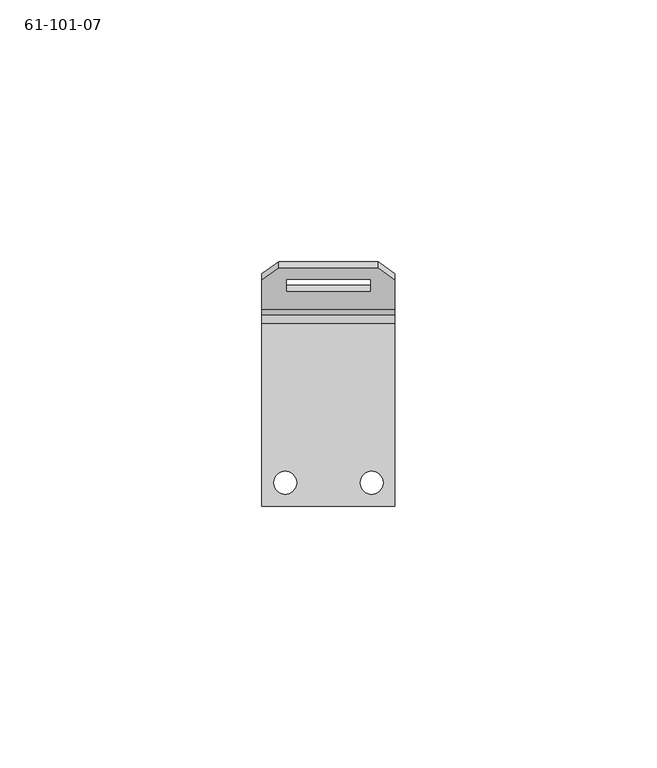
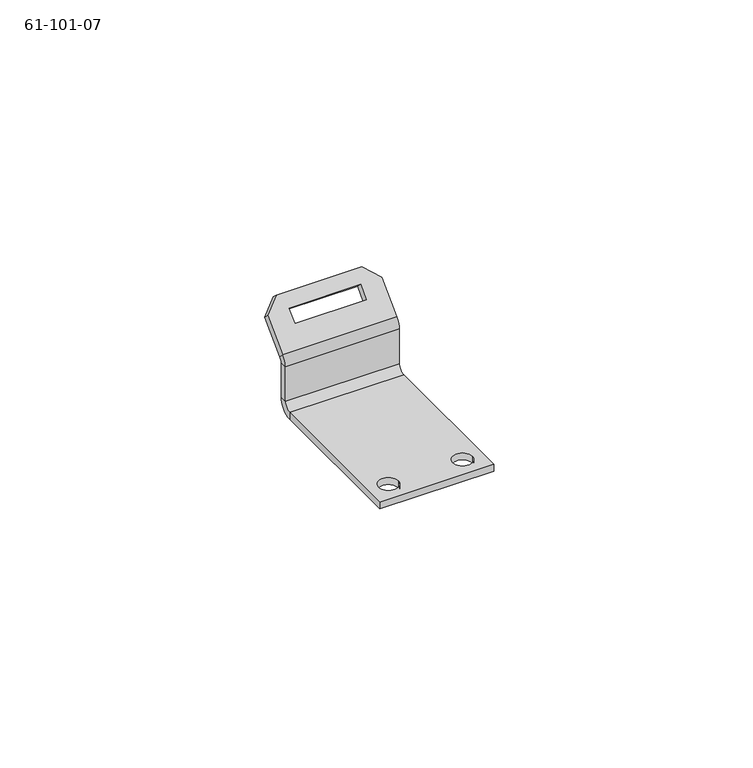
"""IFC4 building model written with IfcOpenShell, lengths in millimetres: proxy geometry, 61-101-07."""

import ifcopenshell
import ifcopenshell.guid

model = None  # the IFC model being written
_history = None  # IfcOwnerHistory: only IFC2X3 demands one
_inside = {}  # id of a spatial element -> (the spatial element, [elements in it])
_under = {}  # id of a project, library or spatial element -> (it, [spatial elements below it])
_declared = {}  # id of a project -> (the project, [libraries it declares])
_typed = {}  # id of a type object -> (the type object, [elements of that type])
_made_of = {}  # id of a material, layer set ... -> (it, [elements and type objects made of it])


def new_model(schema):
    """Start an empty IFC model of exactly this schema.

    Asked for "IFC4X3", IfcOpenShell would pick the latest addendum, in which some entities
    have other attributes; the version numbers below select the first issue.
    IFC2X3 requires an IfcOwnerHistory on every rooted entity: one is made here for all.
    """
    global model, _history
    if schema == "IFC4X3":
        model = ifcopenshell.file(schema_version=(4, 3, 0, 0))
    else:
        model = ifcopenshell.file(schema=schema)
    _inside.clear()
    _under.clear()
    _declared.clear()
    _typed.clear()
    _made_of.clear()
    _history = None
    if model.schema == "IFC2X3":
        org = make("IfcOrganization", Name="unknown")
        user = make(
            "IfcPersonAndOrganization",
            ThePerson=make("IfcPerson", FamilyName="unknown"),
            TheOrganization=org,
        )
        app = make(
            "IfcApplication",
            ApplicationDeveloper=org,
            Version="unknown",
            ApplicationFullName="unknown",
            ApplicationIdentifier="unknown",
        )
        _history = make(
            "IfcOwnerHistory",
            OwningUser=user,
            OwningApplication=app,
            ChangeAction="ADDED",
            CreationDate=0,
        )
    return model


def make(cls, **values):
    """One entity of the class cls with the attributes given. An attribute that is None is left unset."""
    return model.create_entity(
        cls, **{name: value for name, value in values.items() if value is not None}
    )


def rooted(cls, **values):
    """An entity with a GlobalId (a new one), such as an element, a storey or a relation."""
    return make(cls, GlobalId=ifcopenshell.guid.new(), OwnerHistory=_history, **values)


def si_unit(unit_type, name, prefix=None):
    """IfcSIUnit, for example si_unit("LENGTHUNIT", "METRE", prefix="MILLI")."""
    return make("IfcSIUnit", UnitType=unit_type, Prefix=prefix, Name=name)


def assignment(units):
    """IfcUnitAssignment: the units of a project."""
    return None if units is None else make("IfcUnitAssignment", Units=units)


def point(xyz):
    """IfcCartesianPoint."""
    return None if xyz is None else make("IfcCartesianPoint", Coordinates=xyz)


def direction(xyz):
    """IfcDirection."""
    return None if xyz is None else make("IfcDirection", DirectionRatios=xyz)


def frame(location, z_axis=None, x_axis=None):
    """IfcAxis2Placement3D, a coordinate frame: its origin and axes. An axis left out is left unset."""
    return make(
        "IfcAxis2Placement3D",
        Location=point(location),
        Axis=direction(z_axis),
        RefDirection=direction(x_axis),
    )


def origin():
    """The frame at (0, 0, 0) with its axes left unset."""
    return frame((0.0, 0.0, 0.0))


def place(relative_to, where):
    """IfcLocalPlacement: puts the frame where relative to a parent placement (None: the world)."""
    return make(
        "IfcLocalPlacement", PlacementRelTo=relative_to, RelativePlacement=where
    )


def context(
    kind, dimensions, precision=None, world=None, true_north=None, identifier=None
):
    """IfcGeometricRepresentationContext, for example the 3D "Model" context."""
    return make(
        "IfcGeometricRepresentationContext",
        ContextIdentifier=identifier,
        ContextType=kind,
        CoordinateSpaceDimension=dimensions,
        Precision=precision,
        WorldCoordinateSystem=world,
        TrueNorth=true_north,
    )


def project(units=None, contexts=None):
    """IfcProject with its units and contexts."""
    return rooted(
        "IfcProject",
        Name="project",
        RepresentationContexts=contexts,
        UnitsInContext=assignment(units),
    )


def spatial(cls, under=None, at=None, **own):
    """A site, building, storey or space (cls), placed at a placement, below another one or the project."""
    s = rooted(cls, ObjectPlacement=at, **own)
    if under is not None:
        _under.setdefault(under.id(), (under, []))[1].append(s)
    return s


def polyline(points):
    """IfcPolyline through the points."""
    return make("IfcPolyline", Points=[point(p) for p in points])


def circle_curve(where, radius):
    """IfcCircle in the frame where."""
    return make("IfcCircle", Position=where, Radius=radius)


def shape(context_of_items, identifier, shape_type, items):
    """IfcShapeRepresentation: the items that make up one representation, for example the "Body"."""
    return make(
        "IfcShapeRepresentation",
        ContextOfItems=context_of_items,
        RepresentationIdentifier=identifier,
        RepresentationType=shape_type,
        Items=items,
    )


def source(mapping_origin, context_of_items, identifier, shape_type, items):
    """IfcRepresentationMap: a shape defined once, which mapped items show again and again."""
    return make(
        "IfcRepresentationMap",
        MappingOrigin=mapping_origin,
        MappedRepresentation=shape(context_of_items, identifier, shape_type, items),
    )


def transform(
    local_origin,
    x_axis=None,
    y_axis=None,
    z_axis=None,
    scale=None,
    scale2=None,
    scale3=None,
    uniform=True,
):
    """IfcCartesianTransformationOperator3D, or its non-uniform kind. x_axis, y_axis, z_axis: its Axis1, 2, 3."""
    if uniform:
        return make(
            "IfcCartesianTransformationOperator3D",
            Axis1=direction(x_axis),
            Axis2=direction(y_axis),
            LocalOrigin=point(local_origin),
            Scale=scale,
            Axis3=direction(z_axis),
        )
    return make(
        "IfcCartesianTransformationOperator3DnonUniform",
        Axis1=direction(x_axis),
        Axis2=direction(y_axis),
        LocalOrigin=point(local_origin),
        Scale=scale,
        Axis3=direction(z_axis),
        Scale2=scale2,
        Scale3=scale3,
    )


def mapped(mapping_source, mapping_target):
    """IfcMappedItem: shows the shape of a source again, moved by a transform."""
    return make(
        "IfcMappedItem", MappingSource=mapping_source, MappingTarget=mapping_target
    )


def made_of(thing, what):
    """Note that an element or type object is made of a material, layer set ...; save() writes the relation."""
    if what is not None:
        _made_of.setdefault(what.id(), (what, []))[1].append(thing)
    return thing


def element(
    cls,
    number,
    at=None,
    inside=None,
    cuts=None,
    type_object=None,
    material=None,
    context=None,
    identifier="Body",
    shape_type=None,
    held_by="IfcProductDefinitionShape",
    body=None,
    shapes=None,
    **own,
):
    """One element of the class cls, such as IfcWall. Its Tag is "e" and its number.

    at: its placement. inside: the storey or other place that contains it. cuts: it is an
    opening in that element (IfcRelVoidsElement). A single representation is given by context,
    identifier, shape_type and body (its items); several are given by shapes. held_by: the class
    of the entity that holds the representations. save() writes the other relations.
    """
    e = rooted(cls, Tag="e%d" % number, ObjectPlacement=at, **own)
    if body is not None:
        shapes = [shape(context, identifier, shape_type, body)]
    if shapes is not None:
        e.Representation = make(held_by, Representations=shapes)
    if inside is not None:
        _inside.setdefault(inside.id(), (inside, []))[1].append(e)
    if cuts is not None:
        rooted(
            "IfcRelVoidsElement", RelatingBuildingElement=cuts, RelatedOpeningElement=e
        )
    if type_object is not None:
        _typed.setdefault(type_object.id(), (type_object, []))[1].append(e)
    return made_of(e, material)


def aggregate(whole, parts):
    """IfcRelAggregates: a whole, such as a stair, and the parts it consists of."""
    return rooted("IfcRelAggregates", RelatingObject=whole, RelatedObjects=parts)


def save(model, path):
    """Write the relations noted so far, then the file.

    IfcRelAggregates (storeys below a building ...), IfcRelContainedInSpatialStructure (elements
    in a storey), IfcRelDefinesByType, IfcRelAssociatesMaterial and IfcRelDeclares: one each for
    every whole, place, type object, material and project.
    """
    for whole, parts in _under.values():
        aggregate(whole, parts)
    for where, things in _inside.values():
        rooted(
            "IfcRelContainedInSpatialStructure",
            RelatedElements=things,
            RelatingStructure=where,
        )
    for kind, things in _typed.values():
        rooted("IfcRelDefinesByType", RelatedObjects=things, RelatingType=kind)
    for what, things in _made_of.values():
        rooted("IfcRelAssociatesMaterial", RelatedObjects=things, RelatingMaterial=what)
    for by, libraries in _declared.values():
        rooted("IfcRelDeclares", RelatingContext=by, RelatedDefinitions=libraries)
    model.write(path)


def plane_surface(at):
    """IfcPlane: the flat surface through the origin of the frame at, square to its z axis."""
    return make("IfcPlane", Position=at)


def cylinder_surface(at, radius):
    """IfcCylindricalSurface: all points at the distance radius from the z axis of the frame at."""
    return make("IfcCylindricalSurface", Position=at, Radius=radius)


def revolved_surface(curve, axis_point, axis_direction):
    """IfcSurfaceOfRevolution: the curve turned about the line through axis_point along axis_direction."""
    return make(
        "IfcSurfaceOfRevolution",
        SweptCurve=make("IfcArbitraryOpenProfileDef", ProfileType="CURVE", Curve=curve),
        AxisPosition=make("IfcAxis1Placement", Location=point(axis_point), Axis=direction(axis_direction)),
    )


def advanced_brep(points, edges, surfaces, faces):
    """IfcAdvancedBrep: a solid bounded by faces that lie on surfaces and meet in shared edges.

    An edge is (start, end): straight between two places in points (the first is 0);
    or (start, end, curve); or (start, end, curve, False) where it runs against its curve.
    A face is (place in surfaces, loops), or (place, loops, False) where it looks against
    its surface's normal. A loop lists edges by number (the first is 1), with a minus sign
    where the edge is run from its end to its start. The first loop is the outer one.
    """
    corners = [point(p) for p in points]
    vertices = [make("IfcVertexPoint", VertexGeometry=c) for c in corners]
    made = []
    for start, end, *more in edges:
        made.append(
            make(
                "IfcEdgeCurve",
                EdgeStart=vertices[start],
                EdgeEnd=vertices[end],
                EdgeGeometry=more[0] if more else make("IfcPolyline", Points=[corners[start], corners[end]]),
                SameSense=more[1] if len(more) > 1 else True,
            )
        )
    hull = []
    for where, loops, *sense in faces:
        bounds = []
        for j, loop in enumerate(loops):
            ring = [make("IfcOrientedEdge", EdgeElement=made[abs(k) - 1], Orientation=k > 0) for k in loop]
            bounds.append(
                make(
                    "IfcFaceOuterBound" if j == 0 else "IfcFaceBound",
                    Bound=make("IfcEdgeLoop", EdgeList=ring),
                    Orientation=True,
                )
            )
        hull.append(make("IfcAdvancedFace", Bounds=bounds, FaceSurface=surfaces[where], SameSense=sense[0] if sense else True))
    return make("IfcAdvancedBrep", Outer=make("IfcClosedShell", CfsFaces=hull))


def proxy_61_101_07_457bc332(model_context):
    return source(origin(), model_context, "Body", "AdvancedBrep", [
        advanced_brep(
        [(-1.4669752, -32.0691234, 1.6129), (-1.4669752, -32.0691234, 0.0), (2.8764248, -32.0691234, 0.0), (2.8764248, -32.0691234, 1.6129), (15.0430248, -32.0691234, 1.6129), (15.0430248, -32.0691234, 0.0), (19.3864248, -32.0691234, 0.0), (19.3864248, -32.0691234, 1.6129), (18.4847248, 8.9532327, 21.6802561), (21.6597248, 6.7081687, 19.4351921), (21.6597248, 7.8486612, 18.2946996), (18.4847248, 10.0937253, 20.5397636), (-0.5652752, 10.0937253, 20.5397636), (-0.5652752, 8.9532327, 21.6802561), (21.6597248, 2.0582841, 12.5043224), (-3.7402752, 2.0582841, 12.5043224), (-3.7402752, 7.8486612, 18.2946996), (1.0222248, 7.8486612, 18.2946996), (1.0222248, 5.6035972, 16.0496355), (16.8972248, 5.6035972, 16.0496355), (16.8972248, 7.8486612, 18.2946996), (-3.7402752, 6.7081687, 19.4351921), (-3.7402752, 0.9177916, 13.6448149), (1.0222248, 6.7081687, 19.4351921), (1.0222248, 4.4631047, 17.1901281), (16.8972248, 4.4631047, 17.1901281), (16.8972248, 6.7081687, 19.4351921), (21.6597248, 0.9177916, 13.6448149), (-3.7402752, -0.0270234, 11.3638299), (21.6597248, -0.0270234, 11.3638299), (-3.7402752, 1.5858766, 11.3638299), (21.6597248, 1.5858766, 11.3638299), (21.6597248, -0.0270234, 3.2258), (21.6597248, 1.5858766, 3.2258), (-3.7402752, -0.0270234, 3.2258), (-3.7402752, 1.5858766, 3.2258), (21.6597248, -1.6399234, 0.0), (-3.7402752, -1.6399234, 0.0), (21.6597248, -1.6399234, 1.6129), (-3.7402752, -1.6399234, 1.6129), (-3.7402752, -36.5141234, 0.0), (-3.7402752, -36.5141234, 1.6129), (21.6597248, -36.5141234, 0.0), (21.6597248, -36.5141234, 1.6129)],
        [
            (0, 1),
            (1, 2, circle_curve(frame((0.7047248, -32.0691234, 0.0), z_axis=(0.0, 0.0, -1.0), x_axis=(-1.0, 0.0, 0.0)), 2.1717)),
            (2, 3),
            (3, 0, circle_curve(frame((0.7047248, -32.0691234, 1.6129), z_axis=(0.0, 0.0, 1.0), x_axis=(-1.0, 0.0, 0.0)), 2.1717)),
            (4, 5),
            (5, 6, circle_curve(frame((17.2147248, -32.0691234, 0.0), z_axis=(0.0, 0.0, -1.0), x_axis=(-1.0, 0.0, 0.0)), 2.1717)),
            (6, 7),
            (7, 4, circle_curve(frame((17.2147248, -32.0691234, 1.6129), z_axis=(0.0, 0.0, 1.0), x_axis=(-1.0, 0.0, 0.0)), 2.1717)),
            (8, 9),
            (9, 10),
            (10, 11),
            (11, 8),
            (11, 12),
            (12, 13),
            (13, 8),
            (10, 14),
            (14, 15),
            (15, 16),
            (16, 12),
            (17, 18),
            (18, 19),
            (19, 20),
            (20, 17),
            (21, 13),
            (16, 21),
            (15, 22),
            (22, 21),
            (4, 7, circle_curve(frame((17.2147248, -32.0691234, 1.6129), z_axis=(0.0, 0.0, 1.0), x_axis=(-1.0, 0.0, 0.0)), 2.1717)),
            (6, 5, circle_curve(frame((17.2147248, -32.0691234, 0.0), z_axis=(0.0, 0.0, -1.0), x_axis=(-1.0, 0.0, 0.0)), 2.1717)),
            (0, 3, circle_curve(frame((0.7047248, -32.0691234, 1.6129), z_axis=(0.0, 0.0, 1.0), x_axis=(-1.0, 0.0, 0.0)), 2.1717)),
            (2, 1, circle_curve(frame((0.7047248, -32.0691234, 0.0), z_axis=(0.0, 0.0, -1.0), x_axis=(-1.0, 0.0, 0.0)), 2.1717)),
            (23, 24),
            (24, 18),
            (17, 23),
            (24, 25),
            (25, 19),
            (25, 26),
            (26, 20),
            (26, 23),
            (27, 22),
            (22, 28, circle_curve(frame((-3.7402752, 3.1987766, 11.3638299), z_axis=(1.0, 0.0, 0.0), x_axis=(0.0, -1.0, 0.0)), 3.2258)),
            (28, 29),
            (29, 27, circle_curve(frame((21.6597248, 3.1987766, 11.3638299), z_axis=(-1.0, 0.0, 0.0), x_axis=(0.0, -1.0, 0.0)), 3.2258)),
            (9, 27),
            (27, 14),
            (15, 30, circle_curve(frame((-3.7402752, 3.1987766, 11.3638299), z_axis=(1.0, 0.0, 0.0), x_axis=(0.0, -1.0, 0.0)), 1.6129)),
            (30, 28),
            (29, 31),
            (31, 14, circle_curve(frame((21.6597248, 3.1987766, 11.3638299), z_axis=(-1.0, 0.0, 0.0), x_axis=(0.0, -1.0, 0.0)), 1.6129)),
            (31, 30),
            (29, 32),
            (32, 33),
            (33, 31),
            (28, 34),
            (34, 32),
            (35, 33),
            (33, 36, circle_curve(frame((21.6597248, -1.6399234, 3.2258), z_axis=(-1.0, 0.0, 0.0), x_axis=(0.0, 0.0, -1.0)), 3.2258)),
            (36, 37),
            (37, 35, circle_curve(frame((-3.7402752, -1.6399234, 3.2258), z_axis=(1.0, 0.0, 0.0), x_axis=(0.0, 0.0, -1.0)), 3.2258)),
            (30, 35),
            (35, 34),
            (32, 38, circle_curve(frame((21.6597248, -1.6399234, 3.2258), z_axis=(-1.0, 0.0, 0.0), x_axis=(0.0, 0.0, -1.0)), 1.6129)),
            (38, 36),
            (37, 39),
            (39, 34, circle_curve(frame((-3.7402752, -1.6399234, 3.2258), z_axis=(1.0, 0.0, 0.0), x_axis=(0.0, 0.0, -1.0)), 1.6129)),
            (39, 38),
            (37, 40),
            (40, 41),
            (41, 39),
            (36, 42),
            (42, 40),
            (38, 43),
            (43, 42),
            (43, 41),
        ],
        [
            revolved_surface(polyline([(-1.4669751999999998, -32.0691234, 0.0), (-1.4669751999999998, -32.0691234, 1.6129)]), (0.7047248, -32.0691234, 0.80645), (0.0, 0.0, -1.0)),
            revolved_surface(polyline([(15.0430248, -32.0691234, 0.0), (15.0430248, -32.0691234, 1.6129)]), (17.2147248, -32.0691234, 0.80645), (0.0, 0.0, -1.0)),
            plane_surface(frame((20.0722248, 8.9711933, 19.4172316), z_axis=(0.7071067811865476, 0.5, 0.5000000000000001), x_axis=(0.5773502691896258, 0.0, -0.816496580927726))),
            plane_surface(frame((-3.7402752, 10.0937253, 20.5397636), z_axis=(0.0, 0.7071067811865475, 0.7071067811865476), x_axis=(1.0, 0.0, 0.0))),
            plane_surface(frame((8.9597248, 5.4310714, 15.8771097), z_axis=(0.0, 0.7071067811865476, -0.7071067811865475), x_axis=(0.0, 0.7071067811865475, 0.7071067811865476))),
            plane_surface(frame((-2.1527752, 8.9711933, 19.4172316), z_axis=(-0.7071067811865474, 0.5000000000000001, 0.5000000000000001), x_axis=(0.577350269189626, 0.0, 0.8164965809277259))),
            plane_surface(frame((-3.7402752, 2.0582841, 12.5043224), z_axis=(-1.0, 0.0, 0.0), x_axis=(0.0, 0.7071067811865475, 0.7071067811865476))),
            plane_surface(frame((1.0222248, 4.4631047, 17.1901281), z_axis=(1.0, 0.0, 0.0), x_axis=(0.0, 0.7071067811865475, 0.7071067811865476))),
            plane_surface(frame((16.8972248, 4.4631047, 17.1901281), z_axis=(0.0, 0.7071067811865476, 0.7071067811865476), x_axis=(-1.0, 0.0, 0.0))),
            plane_surface(frame((16.8972248, 6.7081687, 19.4351921), z_axis=(-1.0, 0.0, 0.0), x_axis=(0.0, -0.7071067811865475, -0.7071067811865476))),
            plane_surface(frame((1.0222248, 6.7081687, 19.4351921), z_axis=(0.0, -0.7071067811865476, -0.7071067811865476), x_axis=(1.0, 0.0, 0.0))),
            cylinder_surface(frame((8.9597248, 3.1987766, 11.3638299), z_axis=(-1.0, 0.0, 0.0), x_axis=(0.0, -1.0, 0.0)), 3.2258),
            plane_surface(frame((21.6597248, 2.0582841, 12.5043224), z_axis=(1.0, 0.0, 0.0), x_axis=(0.0, -0.7071067811865475, -0.7071067811865476))),
            plane_surface(frame((-3.7402752, 2.0582841, 12.5043224), z_axis=(-1.0, 0.0, 0.0), x_axis=(0.0, 0.0, 1.0))),
            plane_surface(frame((21.6597248, 0.9177916, 13.6448149), z_axis=(1.0, 0.0, 0.0), x_axis=(0.0, 0.0, -1.0))),
            plane_surface(frame((8.9597248, 4.2905788, 17.0176022), z_axis=(0.0, -0.7071067811865476, 0.7071067811865475), x_axis=(0.0, 0.7071067811865475, 0.7071067811865476))),
            revolved_surface(polyline([(-3.7402751999999992, 1.5858766, 11.3638299), (21.6597248, 1.5858766, 11.3638299)]), (8.9597248, 3.1987766, 11.3638299), (-1.0, 0.0, 0.0)),
            plane_surface(frame((21.6597248, -0.0270234, 3.2258), z_axis=(1.0, 0.0, 0.0), x_axis=(0.0, 1.0, 0.0))),
            plane_surface(frame((8.9597248, -0.0270234, 6.1387531), z_axis=(0.0, -1.0, 0.0), x_axis=(1.0, 0.0, 0.0))),
            cylinder_surface(frame((8.9597248, -1.6399234, 3.2258), z_axis=(1.0, 0.0, 0.0), x_axis=(0.0, 0.0, -1.0)), 3.2258),
            plane_surface(frame((-3.7402752, -0.0270234, 3.2258), z_axis=(-1.0, 0.0, 0.0), x_axis=(0.0, -1.0, 0.0))),
            plane_surface(frame((21.6597248, -0.0270234, 3.2258), z_axis=(1.0, 0.0, 0.0), x_axis=(0.0, 0.0, -1.0))),
            plane_surface(frame((-3.7402752, 1.5858766, 3.2258), z_axis=(-1.0, 0.0, 0.0), x_axis=(0.0, 0.0, 1.0))),
            plane_surface(frame((8.9597248, 1.5858766, 6.1387531), z_axis=(0.0, 1.0, 0.0), x_axis=(1.0, 0.0, 0.0))),
            revolved_surface(polyline([(21.6597248, -1.6399234, 1.6129), (-3.7402751999999992, -1.6399234, 1.6129)]), (8.9597248, -1.6399234, 3.2258), (1.0, 0.0, 0.0)),
            plane_surface(frame((-3.7402752, -36.5141234, 0.0), z_axis=(-1.0, 0.0, 0.0), x_axis=(0.0, 0.0, 1.0))),
            plane_surface(frame((8.9597248, -17.4641234, 0.0), z_axis=(0.0, 0.0, -1.0), x_axis=(1.0, 0.0, 0.0))),
            plane_surface(frame((21.6597248, 1.5858766, 0.0), z_axis=(1.0, 0.0, 0.0), x_axis=(0.0, 0.0, -1.0))),
            plane_surface(frame((21.6597248, -36.5141234, 0.0), z_axis=(0.0, -1.0, 0.0), x_axis=(0.0, 0.0, -1.0))),
            plane_surface(frame((8.9597248, -17.4641234, 1.6129), z_axis=(0.0, 0.0, 1.0), x_axis=(1.0, 0.0, 0.0))),
        ],
        [
            (0, [[1, 2, 3, 4]]),
            (1, [[5, 6, 7, 8]]),
            (2, [[9, 10, 11, 12]]),
            (3, [[-12, 13, 14, 15]]),
            (4, [[-11, 16, 17, 18, 19, -13], [20, 21, 22, 23]]),
            (5, [[24, -14, -19, 25]]),
            (6, [[-25, -18, 26, 27]]),
            (1, [[-5, 28, -7, 29]]),
            (0, [[-1, 30, -3, 31]]),
            (7, [[32, 33, -20, 34]]),
            (8, [[35, 36, -21, -33]]),
            (9, [[37, 38, -22, -36]]),
            (10, [[39, -34, -23, -38]]),
            (11, [[40, 41, 42, 43]]),
            (12, [[-10, 44, 45, -16]]),
            (13, [[-26, 46, 47, -41]]),
            (14, [[-45, -43, 48, 49]]),
            (15, [[-9, -15, -24, -27, -40, -44], [-32, -39, -37, -35]]),
            (16, [[-17, -49, 50, -46]]),
            (17, [[-48, 51, 52, 53]]),
            (18, [[-42, 54, 55, -51]]),
            (19, [[56, 57, 58, 59]]),
            (20, [[-47, 60, 61, -54]]),
            (21, [[-52, 62, 63, -57]]),
            (22, [[-61, -59, 64, 65]]),
            (23, [[-50, -53, -56, -60]]),
            (24, [[-55, -65, 66, -62]]),
            (25, [[-64, 67, 68, 69]]),
            (26, [[-58, 70, 71, -67], [-29, -6], [-31, -2]]),
            (27, [[-63, 72, 73, -70]]),
            (28, [[74, -68, -71, -73]]),
            (29, [[-66, -69, -74, -72], [-4, -30], [-8, -28]]),
        ],
    ),
    ])


if __name__ == "__main__":
    model = new_model("IFC4")
    model_context = context("Model", 3, world=origin())
    ifc_project = project(units=[si_unit("LENGTHUNIT", "METRE", prefix="MILLI")], contexts=[model_context])
    site = spatial("IfcSite", under=ifc_project)
    building = spatial("IfcBuilding", under=site)
    placement = place(None, origin())
    proxy_61_101_07_shape = proxy_61_101_07_457bc332(model_context)
    element("IfcBuildingElementProxy", 1, Name="61-101-07", ObjectType="61-101-07", at=placement, inside=building, context=model_context, shape_type="MappedRepresentation", body=[
        mapped(proxy_61_101_07_shape, transform((0.0, 0.0, 0.0), x_axis=(1.0, 0.0, 0.0), y_axis=(0.0, 1.0, 0.0), z_axis=(0.0, 0.0, 1.0))),
    ])
    save(model, "model.ifc")
